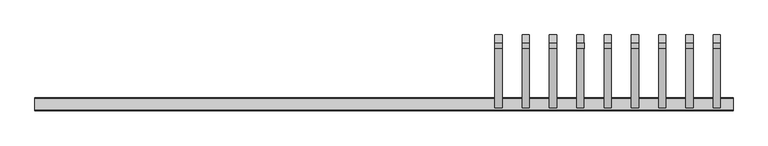
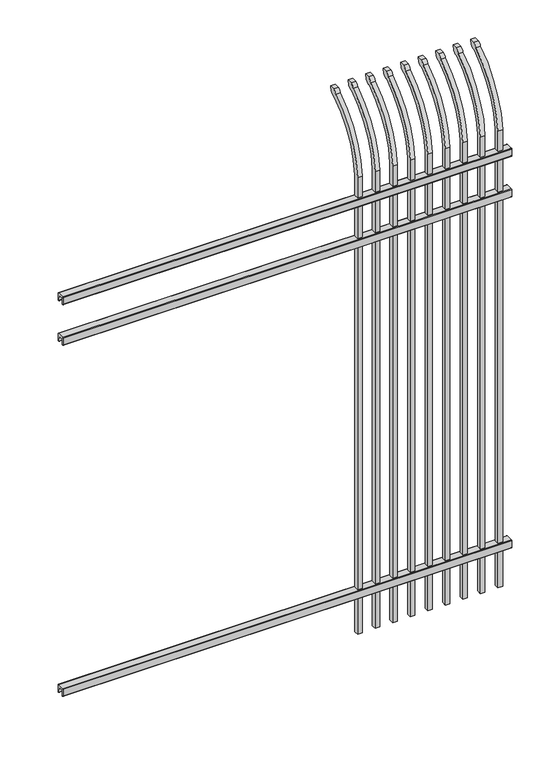
"""IFC4 building model written with IfcOpenShell, lengths in millimetres: railing geometry."""

from ifc_helpers import new_model, si_unit, point, frame, frame_2d, origin, place, context, project, spatial, polyline, circle_curve, ellipse_curve, trimmed, segment, composite_curve, outline, extrude, source, transform, mapped, element, save
from ifc_brep_helpers import plane_surface, cylinder_surface, revolved_surface, extruded_surface, advanced_brep


def railing_2fd6084e(model_context):
    return source(origin(), model_context, "Body", "SolidModel", [
        extrude(outline(composite_curve([segment(polyline([(8825.9139761, 304.8), (8863.969541, 304.8)]), True, "CONTINUOUS"), segment(trimmed(circle_curve(frame_2d((8863.969541, 301.625)), 3.175), [point((8863.969541, 304.8))], [point((8867.144541, 301.625))], False, "CARTESIAN"), True, "CONTINUOUS"), segment(polyline([(8867.144541, 301.625), (8867.144541, 262.1439893)]), True, "CONTINUOUS"), segment(trimmed(circle_curve(frame_2d((8865.3505518, 262.1439893)), 1.7939893), [point((8867.144541, 262.1439893))], [point((8865.3505518, 260.35))], False, "CARTESIAN"), True, "CONTINUOUS"), segment(polyline([(8865.3505518, 260.35), (8862.7590713, 260.35)]), True, "CONTINUOUS"), segment(trimmed(circle_curve(frame_2d((8862.7590713, 262.1359375)), 1.7859375), [point((8862.7590713, 260.35))], [point((8860.9755813, 262.0424688))], False, "CARTESIAN"), True, "CONTINUOUS"), segment(polyline([(8860.9755813, 262.0424688), (8859.4025867, 292.0569942), (8830.4364954, 292.0569942), (8828.8635007, 262.0424688)]), True, "CONTINUOUS"), segment(trimmed(circle_curve(frame_2d((8827.0800108, 262.1359375)), 1.7859375), [point((8828.8635007, 262.0424688))], [point((8827.0800108, 260.35))], False, "CARTESIAN"), True, "CONTINUOUS"), segment(polyline([(8827.0800108, 260.35), (8824.4804785, 260.35)]), True, "CONTINUOUS"), segment(trimmed(circle_curve(frame_2d((8824.4804785, 262.1359375)), 1.7859375), [point((8824.4804785, 260.35))], [point((8822.694541, 262.1359375))], False, "CARTESIAN"), True, "CONTINUOUS"), segment(polyline([(8822.694541, 262.1359375), (8822.694541, 301.5805649)]), True, "CONTINUOUS"), segment(trimmed(circle_curve(frame_2d((8825.9139761, 301.5805649)), 3.2194351), [point((8822.694541, 301.5805649))], [point((8825.9139761, 304.8))], False, "CARTESIAN"), True, "CONTINUOUS")], self_intersect=False)), frame((24591.7350064, 0.0, 0.0), z_axis=(1.0, 0.0, 0.0), x_axis=(0.0, 1.0, 0.0)), (0.0, 0.0, 1.0), 2438.4),
        extrude(outline(composite_curve([segment(polyline([(8825.9139761, 2322.5125), (8863.969541, 2322.5125)]), True, "CONTINUOUS"), segment(trimmed(circle_curve(frame_2d((8863.969541, 2319.3375)), 3.175), [point((8863.969541, 2322.5125))], [point((8867.144541, 2319.3375))], False, "CARTESIAN"), True, "CONTINUOUS"), segment(polyline([(8867.144541, 2319.3375), (8867.144541, 2279.8564893)]), True, "CONTINUOUS"), segment(trimmed(circle_curve(frame_2d((8865.3505518, 2279.8564893)), 1.7939893), [point((8867.144541, 2279.8564893))], [point((8865.3505518, 2278.0625))], False, "CARTESIAN"), True, "CONTINUOUS"), segment(polyline([(8865.3505518, 2278.0625), (8862.7590713, 2278.0625)]), True, "CONTINUOUS"), segment(trimmed(circle_curve(frame_2d((8862.7590713, 2279.8484375)), 1.7859375), [point((8862.7590713, 2278.0625))], [point((8860.9755813, 2279.7549688))], False, "CARTESIAN"), True, "CONTINUOUS"), segment(polyline([(8860.9755813, 2279.7549688), (8859.4025867, 2309.7694942), (8830.4364954, 2309.7694942), (8828.8635007, 2279.7549688)]), True, "CONTINUOUS"), segment(trimmed(circle_curve(frame_2d((8827.0800108, 2279.8484375)), 1.7859375), [point((8828.8635007, 2279.7549688))], [point((8827.0800108, 2278.0625))], False, "CARTESIAN"), True, "CONTINUOUS"), segment(polyline([(8827.0800108, 2278.0625), (8824.4804785, 2278.0625)]), True, "CONTINUOUS"), segment(trimmed(circle_curve(frame_2d((8824.4804785, 2279.8484375)), 1.7859375), [point((8824.4804785, 2278.0625))], [point((8822.694541, 2279.8484375))], False, "CARTESIAN"), True, "CONTINUOUS"), segment(polyline([(8822.694541, 2279.8484375), (8822.694541, 2319.2930649)]), True, "CONTINUOUS"), segment(trimmed(circle_curve(frame_2d((8825.9139761, 2319.2930649)), 3.2194351), [point((8822.694541, 2319.2930649))], [point((8825.9139761, 2322.5125))], False, "CARTESIAN"), True, "CONTINUOUS")], self_intersect=False)), frame((24591.7350064, 0.0, 0.0), z_axis=(1.0, 0.0, 0.0), x_axis=(0.0, 1.0, 0.0)), (0.0, 0.0, 1.0), 2438.4),
        extrude(outline(composite_curve([segment(polyline([(8825.9139761, 2555.875), (8863.969541, 2555.875)]), True, "CONTINUOUS"), segment(trimmed(circle_curve(frame_2d((8863.969541, 2552.7)), 3.175), [point((8863.969541, 2555.875))], [point((8867.144541, 2552.7))], False, "CARTESIAN"), True, "CONTINUOUS"), segment(polyline([(8867.144541, 2552.7), (8867.144541, 2513.2189893)]), True, "CONTINUOUS"), segment(trimmed(circle_curve(frame_2d((8865.3505518, 2513.2189893)), 1.7939893), [point((8867.144541, 2513.2189893))], [point((8865.3505518, 2511.425))], False, "CARTESIAN"), True, "CONTINUOUS"), segment(polyline([(8865.3505518, 2511.425), (8862.7590713, 2511.425)]), True, "CONTINUOUS"), segment(trimmed(circle_curve(frame_2d((8862.7590713, 2513.2109375)), 1.7859375), [point((8862.7590713, 2511.425))], [point((8860.9755813, 2513.1174688))], False, "CARTESIAN"), True, "CONTINUOUS"), segment(polyline([(8860.9755813, 2513.1174688), (8859.4025867, 2543.1319942), (8830.4364954, 2543.1319942), (8828.8635007, 2513.1174688)]), True, "CONTINUOUS"), segment(trimmed(circle_curve(frame_2d((8827.0800108, 2513.2109375)), 1.7859375), [point((8828.8635007, 2513.1174688))], [point((8827.0800108, 2511.425))], False, "CARTESIAN"), True, "CONTINUOUS"), segment(polyline([(8827.0800108, 2511.425), (8824.4804785, 2511.425)]), True, "CONTINUOUS"), segment(trimmed(circle_curve(frame_2d((8824.4804785, 2513.2109375)), 1.7859375), [point((8824.4804785, 2511.425))], [point((8822.694541, 2513.2109375))], False, "CARTESIAN"), True, "CONTINUOUS"), segment(polyline([(8822.694541, 2513.2109375), (8822.694541, 2552.6555649)]), True, "CONTINUOUS"), segment(trimmed(circle_curve(frame_2d((8825.9139761, 2552.6555649)), 3.2194351), [point((8822.694541, 2552.6555649))], [point((8825.9139761, 2555.875))], False, "CARTESIAN"), True, "CONTINUOUS")], self_intersect=False)), frame((24591.7350064, 0.0, 0.0), z_axis=(1.0, 0.0, 0.0), x_axis=(0.0, 1.0, 0.0)), (0.0, 0.0, 1.0), 2438.4),
        advanced_brep(
        [(26985.6850064, 8857.619541, 50.8), (26985.6850064, 8857.619541, 2673.5226889), (26985.6850064, 9054.7326851, 3005.7022378), (26985.6850064, 9081.2407099, 3020.3867549), (26985.6850064, 9087.1100864, 3048.0), (26985.6850064, 9058.8799449, 3048.0), (26985.6850064, 9039.4931591, 3027.0682561), (26985.6850064, 8832.219541, 2673.5226889), (26985.6850064, 8832.219541, 50.8), (26960.2850064, 8857.619541, 50.8), (26960.2850064, 8857.619541, 2673.5226889), (26960.2850064, 8832.219541, 2673.5226889), (26960.2850064, 8832.219541, 50.8), (26960.2850064, 9039.4931591, 3027.0682561), (26960.2850064, 9058.8799449, 3048.0), (26960.2850064, 9087.1100864, 3048.0), (26960.2850064, 9081.2407099, 3020.3867549), (26960.2850064, 9054.7326851, 3005.7022378)],
        [
            (0, 1),
            (1, 2, circle_curve(frame((26985.6850064, 9294.9874207, 2638.5640776), z_axis=(-1.0, 0.0, 0.0), x_axis=(0.0, 1.0, 0.0)), 438.7627681)),
            (2, 3, ellipse_curve(frame((26985.6850064, 9062.5579376, 3028.1180619), z_axis=(1.0, 0.0, 0.0), x_axis=(0.0, -0.7771459614569761, -0.6293203910498311)), 26.7460194, 19.05)),
            (3, 4),
            (4, 5),
            (5, 6, ellipse_curve(frame((26985.6850064, 9062.5579376, 3028.1180619), z_axis=(0.9999999999999999, 0.0, 0.0), x_axis=(0.0, -0.7771459614569769, -0.62932039104983)), 26.7460194, 19.05)),
            (6, 7, circle_curve(frame((26985.6850064, 9294.0333244, 2640.3065933), z_axis=(1.0, 0.0, 0.0), x_axis=(0.0, 1.0, 0.0)), 463.0067812)),
            (7, 8),
            (8, 0),
            (0, 9),
            (9, 10),
            (10, 1),
            (7, 11),
            (11, 12),
            (12, 8),
            (12, 9),
            (11, 13, circle_curve(frame((26960.2850064, 9294.0333244, 2640.3065933), z_axis=(-1.0, 0.0, 0.0), x_axis=(0.0, 1.0, 0.0)), 463.0067812)),
            (13, 14, ellipse_curve(frame((26960.2850064, 9062.5579376, 3028.1180619), z_axis=(-0.9999999999999999, 0.0, 0.0), x_axis=(0.0, -0.7771459614569769, -0.62932039104983)), 26.7460194, 19.05)),
            (14, 15),
            (15, 16),
            (16, 17, ellipse_curve(frame((26960.2850064, 9062.5579376, 3028.1180619), z_axis=(-1.0, 0.0, 0.0), x_axis=(0.0, -0.7771459614569761, -0.6293203910498311)), 26.7460194, 19.05)),
            (17, 10, circle_curve(frame((26960.2850064, 9294.9874207, 2638.5640776), z_axis=(1.0, 0.0, 0.0), x_axis=(0.0, 1.0, 0.0)), 438.7627681)),
            (17, 2),
            (16, 3),
            (15, 4),
            (14, 5),
            (13, 6),
        ],
        [
            plane_surface(frame((26985.6850064, 8857.619541, 50.8), z_axis=(1.0, 0.0, 0.0), x_axis=(0.0, 0.0, 1.0))),
            plane_surface(frame((26985.6850064, 8857.619541, 50.8), z_axis=(0.0, 1.0, 0.0), x_axis=(-1.0, 0.0, 0.0))),
            plane_surface(frame((26985.6850064, 8832.219541, 2673.5226889), z_axis=(0.0, -1.0, 0.0), x_axis=(-1.0, 0.0, 0.0))),
            plane_surface(frame((26985.6850064, 8832.219541, 50.8), z_axis=(0.0, 0.0, -1.0), x_axis=(-1.0, 0.0, 0.0))),
            plane_surface(frame((26960.2850064, 8857.619541, 50.8), z_axis=(-1.0, 0.0, 0.0), x_axis=(0.0, 0.0, -1.0))),
            revolved_surface(polyline([(26960.2850064, 9733.750188799999, 2638.5640776), (26985.6850064, 9733.750188799999, 2638.5640776)]), (26960.2850064, 9294.9874207, 2638.5640776), (-1.0, 0.0, 0.0)),
            extruded_surface(trimmed(ellipse_curve(frame((26934.8850064, 9062.5579376, 3028.1180619), z_axis=(1.0, 0.0, 0.0), x_axis=(0.0, -0.7771459614569761, -0.6293203910498311)), 26.7460194, 19.05), [point((26934.8850064, 9054.7326851, 3005.7022378))], [point((26934.8850064, 9081.2407099, 3020.3867549))], True, "CARTESIAN"), (25.400000000001455, 0.0, 0.0), 25.400000000001455),
            plane_surface(frame((26985.6850064, 9081.2407099, 3020.3867549), z_axis=(0.0, 0.9781476007338016, -0.2079116908177787), x_axis=(-1.0, 0.0, 0.0))),
            plane_surface(frame((26985.6850064, 9087.1100864, 3048.0), z_axis=(0.0, 0.0, 1.0), x_axis=(-1.0, 0.0, 0.0))),
            extruded_surface(trimmed(ellipse_curve(frame((26934.8850064, 9062.5579376, 3028.1180619), z_axis=(0.9999999999999999, 0.0, 0.0), x_axis=(0.0, -0.7771459614569769, -0.62932039104983)), 26.7460194, 19.05), [point((26934.8850064, 9058.8799449, 3048.0))], [point((26934.8850064, 9039.4931591, 3027.0682561))], True, "CARTESIAN"), (25.400000000001455, 0.0, 0.0), 25.400000000001455),
            cylinder_surface(frame((26960.2850064, 9294.0333244, 2640.3065933), z_axis=(1.0, 0.0, 0.0), x_axis=(0.0, 1.0, 0.0)), 463.0067812),
        ],
        [
            (0, [[1, 2, 3, 4, 5, 6, 7, 8, 9]]),
            (1, [[-1, 10, 11, 12]]),
            (2, [[-8, 13, 14, 15]]),
            (3, [[-9, -15, 16, -10]]),
            (4, [[-16, -14, 17, 18, 19, 20, 21, 22, -11]]),
            (5, [[-2, -12, -22, 23]]),
            (6, [[-3, -23, -21, 24]]),
            (7, [[-4, -24, -20, 25]]),
            (8, [[-5, -25, -19, 26]]),
            (9, [[-6, -26, -18, 27]]),
            (10, [[-7, -27, -17, -13]]),
        ],
    ),
        advanced_brep(
        [(26890.4350064, 8857.619541, 50.8), (26890.4350064, 8857.619541, 2673.5226889), (26890.4350064, 9054.7326851, 3005.7022378), (26890.4350064, 9081.2407099, 3020.3867549), (26890.4350064, 9087.1100864, 3048.0), (26890.4350064, 9058.8799449, 3048.0), (26890.4350064, 9039.4931591, 3027.0682561), (26890.4350064, 8832.219541, 2673.5226889), (26890.4350064, 8832.219541, 50.8), (26865.0350064, 8857.619541, 50.8), (26865.0350064, 8857.619541, 2673.5226889), (26865.0350064, 8832.219541, 2673.5226889), (26865.0350064, 8832.219541, 50.8), (26865.0350064, 9039.4931591, 3027.0682561), (26865.0350064, 9058.8799449, 3048.0), (26865.0350064, 9087.1100864, 3048.0), (26865.0350064, 9081.2407099, 3020.3867549), (26865.0350064, 9054.7326851, 3005.7022378)],
        [
            (0, 1),
            (1, 2, circle_curve(frame((26890.4350064, 9294.9874207, 2638.5640776), z_axis=(-1.0, 0.0, 0.0), x_axis=(0.0, 1.0, 0.0)), 438.7627681)),
            (2, 3, ellipse_curve(frame((26890.4350064, 9062.5579376, 3028.1180619), z_axis=(1.0, 0.0, 0.0), x_axis=(0.0, -0.7771459614569761, -0.6293203910498311)), 26.7460194, 19.05)),
            (3, 4),
            (4, 5),
            (5, 6, ellipse_curve(frame((26890.4350064, 9062.5579376, 3028.1180619), z_axis=(0.9999999999999999, 0.0, 0.0), x_axis=(0.0, -0.7771459614569769, -0.62932039104983)), 26.7460194, 19.05)),
            (6, 7, circle_curve(frame((26890.4350064, 9294.0333244, 2640.3065933), z_axis=(1.0, 0.0, 0.0), x_axis=(0.0, 1.0, 0.0)), 463.0067812)),
            (7, 8),
            (8, 0),
            (0, 9),
            (9, 10),
            (10, 1),
            (7, 11),
            (11, 12),
            (12, 8),
            (12, 9),
            (11, 13, circle_curve(frame((26865.0350064, 9294.0333244, 2640.3065933), z_axis=(-1.0, 0.0, 0.0), x_axis=(0.0, 1.0, 0.0)), 463.0067812)),
            (13, 14, ellipse_curve(frame((26865.0350064, 9062.5579376, 3028.1180619), z_axis=(-0.9999999999999999, 0.0, 0.0), x_axis=(0.0, -0.7771459614569769, -0.62932039104983)), 26.7460194, 19.05)),
            (14, 15),
            (15, 16),
            (16, 17, ellipse_curve(frame((26865.0350064, 9062.5579376, 3028.1180619), z_axis=(-1.0, 0.0, 0.0), x_axis=(0.0, -0.7771459614569761, -0.6293203910498311)), 26.7460194, 19.05)),
            (17, 10, circle_curve(frame((26865.0350064, 9294.9874207, 2638.5640776), z_axis=(1.0, 0.0, 0.0), x_axis=(0.0, 1.0, 0.0)), 438.7627681)),
            (17, 2),
            (16, 3),
            (15, 4),
            (14, 5),
            (13, 6),
        ],
        [
            plane_surface(frame((26890.4350064, 8857.619541, 50.8), z_axis=(1.0, 0.0, 0.0), x_axis=(0.0, 0.0, 1.0))),
            plane_surface(frame((26890.4350064, 8857.619541, 50.8), z_axis=(0.0, 1.0, 0.0), x_axis=(-1.0, 0.0, 0.0))),
            plane_surface(frame((26890.4350064, 8832.219541, 2673.5226889), z_axis=(0.0, -1.0, 0.0), x_axis=(-1.0, 0.0, 0.0))),
            plane_surface(frame((26890.4350064, 8832.219541, 50.8), z_axis=(0.0, 0.0, -1.0), x_axis=(-1.0, 0.0, 0.0))),
            plane_surface(frame((26865.0350064, 8857.619541, 50.8), z_axis=(-1.0, 0.0, 0.0), x_axis=(0.0, 0.0, -1.0))),
            revolved_surface(polyline([(26865.0350064, 9733.750188799999, 2638.5640776), (26890.4350064, 9733.750188799999, 2638.5640776)]), (26865.0350064, 9294.9874207, 2638.5640776), (-1.0, 0.0, 0.0)),
            extruded_surface(trimmed(ellipse_curve(frame((26839.6350064, 9062.5579376, 3028.1180619), z_axis=(1.0, 0.0, 0.0), x_axis=(0.0, -0.7771459614569761, -0.6293203910498311)), 26.7460194, 19.05), [point((26839.6350064, 9054.7326851, 3005.7022378))], [point((26839.6350064, 9081.2407099, 3020.3867549))], True, "CARTESIAN"), (25.400000000001455, 0.0, 0.0), 25.400000000001455),
            plane_surface(frame((26890.4350064, 9081.2407099, 3020.3867549), z_axis=(0.0, 0.9781476007338016, -0.2079116908177787), x_axis=(-1.0, 0.0, 0.0))),
            plane_surface(frame((26890.4350064, 9087.1100864, 3048.0), z_axis=(0.0, 0.0, 1.0), x_axis=(-1.0, 0.0, 0.0))),
            extruded_surface(trimmed(ellipse_curve(frame((26839.6350064, 9062.5579376, 3028.1180619), z_axis=(0.9999999999999999, 0.0, 0.0), x_axis=(0.0, -0.7771459614569769, -0.62932039104983)), 26.7460194, 19.05), [point((26839.6350064, 9058.8799449, 3048.0))], [point((26839.6350064, 9039.4931591, 3027.0682561))], True, "CARTESIAN"), (25.400000000001455, 0.0, 0.0), 25.400000000001455),
            cylinder_surface(frame((26865.0350064, 9294.0333244, 2640.3065933), z_axis=(1.0, 0.0, 0.0), x_axis=(0.0, 1.0, 0.0)), 463.0067812),
        ],
        [
            (0, [[1, 2, 3, 4, 5, 6, 7, 8, 9]]),
            (1, [[-1, 10, 11, 12]]),
            (2, [[-8, 13, 14, 15]]),
            (3, [[-9, -15, 16, -10]]),
            (4, [[-16, -14, 17, 18, 19, 20, 21, 22, -11]]),
            (5, [[-2, -12, -22, 23]]),
            (6, [[-3, -23, -21, 24]]),
            (7, [[-4, -24, -20, 25]]),
            (8, [[-5, -25, -19, 26]]),
            (9, [[-6, -26, -18, 27]]),
            (10, [[-7, -27, -17, -13]]),
        ],
    ),
        advanced_brep(
        [(26795.1850064, 8857.619541, 50.8), (26795.1850064, 8857.619541, 2673.5226889), (26795.1850064, 9054.7326851, 3005.7022378), (26795.1850064, 9081.2407099, 3020.3867549), (26795.1850064, 9087.1100864, 3048.0), (26795.1850064, 9058.8799449, 3048.0), (26795.1850064, 9039.4931591, 3027.0682561), (26795.1850064, 8832.219541, 2673.5226889), (26795.1850064, 8832.219541, 50.8), (26769.7850064, 8857.619541, 50.8), (26769.7850064, 8857.619541, 2673.5226889), (26769.7850064, 8832.219541, 2673.5226889), (26769.7850064, 8832.219541, 50.8), (26769.7850064, 9039.4931591, 3027.0682561), (26769.7850064, 9058.8799449, 3048.0), (26769.7850064, 9087.1100864, 3048.0), (26769.7850064, 9081.2407099, 3020.3867549), (26769.7850064, 9054.7326851, 3005.7022378)],
        [
            (0, 1),
            (1, 2, circle_curve(frame((26795.1850064, 9294.9874207, 2638.5640776), z_axis=(-1.0, 0.0, 0.0), x_axis=(0.0, 1.0, 0.0)), 438.7627681)),
            (2, 3, ellipse_curve(frame((26795.1850064, 9062.5579376, 3028.1180619), z_axis=(1.0, 0.0, 0.0), x_axis=(0.0, -0.7771459614569761, -0.6293203910498311)), 26.7460194, 19.05)),
            (3, 4),
            (4, 5),
            (5, 6, ellipse_curve(frame((26795.1850064, 9062.5579376, 3028.1180619), z_axis=(0.9999999999999999, 0.0, 0.0), x_axis=(0.0, -0.7771459614569769, -0.62932039104983)), 26.7460194, 19.05)),
            (6, 7, circle_curve(frame((26795.1850064, 9294.0333244, 2640.3065933), z_axis=(1.0, 0.0, 0.0), x_axis=(0.0, 1.0, 0.0)), 463.0067812)),
            (7, 8),
            (8, 0),
            (0, 9),
            (9, 10),
            (10, 1),
            (7, 11),
            (11, 12),
            (12, 8),
            (12, 9),
            (11, 13, circle_curve(frame((26769.7850064, 9294.0333244, 2640.3065933), z_axis=(-1.0, 0.0, 0.0), x_axis=(0.0, 1.0, 0.0)), 463.0067812)),
            (13, 14, ellipse_curve(frame((26769.7850064, 9062.5579376, 3028.1180619), z_axis=(-0.9999999999999999, 0.0, 0.0), x_axis=(0.0, -0.7771459614569769, -0.62932039104983)), 26.7460194, 19.05)),
            (14, 15),
            (15, 16),
            (16, 17, ellipse_curve(frame((26769.7850064, 9062.5579376, 3028.1180619), z_axis=(-1.0, 0.0, 0.0), x_axis=(0.0, -0.7771459614569761, -0.6293203910498311)), 26.7460194, 19.05)),
            (17, 10, circle_curve(frame((26769.7850064, 9294.9874207, 2638.5640776), z_axis=(1.0, 0.0, 0.0), x_axis=(0.0, 1.0, 0.0)), 438.7627681)),
            (17, 2),
            (16, 3),
            (15, 4),
            (14, 5),
            (13, 6),
        ],
        [
            plane_surface(frame((26795.1850064, 8857.619541, 50.8), z_axis=(1.0, 0.0, 0.0), x_axis=(0.0, 0.0, 1.0))),
            plane_surface(frame((26795.1850064, 8857.619541, 50.8), z_axis=(0.0, 1.0, 0.0), x_axis=(-1.0, 0.0, 0.0))),
            plane_surface(frame((26795.1850064, 8832.219541, 2673.5226889), z_axis=(0.0, -1.0, 0.0), x_axis=(-1.0, 0.0, 0.0))),
            plane_surface(frame((26795.1850064, 8832.219541, 50.8), z_axis=(0.0, 0.0, -1.0), x_axis=(-1.0, 0.0, 0.0))),
            plane_surface(frame((26769.7850064, 8857.619541, 50.8), z_axis=(-1.0, 0.0, 0.0), x_axis=(0.0, 0.0, -1.0))),
            revolved_surface(polyline([(26769.7850064, 9733.750188799999, 2638.5640776), (26795.1850064, 9733.750188799999, 2638.5640776)]), (26769.7850064, 9294.9874207, 2638.5640776), (-1.0, 0.0, 0.0)),
            extruded_surface(trimmed(ellipse_curve(frame((26744.3850064, 9062.5579376, 3028.1180619), z_axis=(1.0, 0.0, 0.0), x_axis=(0.0, -0.7771459614569761, -0.6293203910498311)), 26.7460194, 19.05), [point((26744.3850064, 9054.7326851, 3005.7022378))], [point((26744.3850064, 9081.2407099, 3020.3867549))], True, "CARTESIAN"), (25.400000000001455, 0.0, 0.0), 25.400000000001455),
            plane_surface(frame((26795.1850064, 9081.2407099, 3020.3867549), z_axis=(0.0, 0.9781476007338016, -0.2079116908177787), x_axis=(-1.0, 0.0, 0.0))),
            plane_surface(frame((26795.1850064, 9087.1100864, 3048.0), z_axis=(0.0, 0.0, 1.0), x_axis=(-1.0, 0.0, 0.0))),
            extruded_surface(trimmed(ellipse_curve(frame((26744.3850064, 9062.5579376, 3028.1180619), z_axis=(0.9999999999999999, 0.0, 0.0), x_axis=(0.0, -0.7771459614569769, -0.62932039104983)), 26.7460194, 19.05), [point((26744.3850064, 9058.8799449, 3048.0))], [point((26744.3850064, 9039.4931591, 3027.0682561))], True, "CARTESIAN"), (25.400000000001455, 0.0, 0.0), 25.400000000001455),
            cylinder_surface(frame((26769.7850064, 9294.0333244, 2640.3065933), z_axis=(1.0, 0.0, 0.0), x_axis=(0.0, 1.0, 0.0)), 463.0067812),
        ],
        [
            (0, [[1, 2, 3, 4, 5, 6, 7, 8, 9]]),
            (1, [[-1, 10, 11, 12]]),
            (2, [[-8, 13, 14, 15]]),
            (3, [[-9, -15, 16, -10]]),
            (4, [[-16, -14, 17, 18, 19, 20, 21, 22, -11]]),
            (5, [[-2, -12, -22, 23]]),
            (6, [[-3, -23, -21, 24]]),
            (7, [[-4, -24, -20, 25]]),
            (8, [[-5, -25, -19, 26]]),
            (9, [[-6, -26, -18, 27]]),
            (10, [[-7, -27, -17, -13]]),
        ],
    ),
        advanced_brep(
        [(26699.9350064, 8857.619541, 50.8), (26699.9350064, 8857.619541, 2673.5226889), (26699.9350064, 9054.7326851, 3005.7022378), (26699.9350064, 9081.2407099, 3020.3867549), (26699.9350064, 9087.1100864, 3048.0), (26699.9350064, 9058.8799449, 3048.0), (26699.9350064, 9039.4931591, 3027.0682561), (26699.9350064, 8832.219541, 2673.5226889), (26699.9350064, 8832.219541, 50.8), (26674.5350064, 8857.619541, 50.8), (26674.5350064, 8857.619541, 2673.5226889), (26674.5350064, 8832.219541, 2673.5226889), (26674.5350064, 8832.219541, 50.8), (26674.5350064, 9039.4931591, 3027.0682561), (26674.5350064, 9058.8799449, 3048.0), (26674.5350064, 9087.1100864, 3048.0), (26674.5350064, 9081.2407099, 3020.3867549), (26674.5350064, 9054.7326851, 3005.7022378)],
        [
            (0, 1),
            (1, 2, circle_curve(frame((26699.9350064, 9294.9874207, 2638.5640776), z_axis=(-1.0, 0.0, 0.0), x_axis=(0.0, 1.0, 0.0)), 438.7627681)),
            (2, 3, ellipse_curve(frame((26699.9350064, 9062.5579376, 3028.1180619), z_axis=(1.0, 0.0, 0.0), x_axis=(0.0, -0.7771459614569761, -0.6293203910498311)), 26.7460194, 19.05)),
            (3, 4),
            (4, 5),
            (5, 6, ellipse_curve(frame((26699.9350064, 9062.5579376, 3028.1180619), z_axis=(0.9999999999999999, 0.0, 0.0), x_axis=(0.0, -0.7771459614569769, -0.62932039104983)), 26.7460194, 19.05)),
            (6, 7, circle_curve(frame((26699.9350064, 9294.0333244, 2640.3065933), z_axis=(1.0, 0.0, 0.0), x_axis=(0.0, 1.0, 0.0)), 463.0067812)),
            (7, 8),
            (8, 0),
            (0, 9),
            (9, 10),
            (10, 1),
            (7, 11),
            (11, 12),
            (12, 8),
            (12, 9),
            (11, 13, circle_curve(frame((26674.5350064, 9294.0333244, 2640.3065933), z_axis=(-1.0, 0.0, 0.0), x_axis=(0.0, 1.0, 0.0)), 463.0067812)),
            (13, 14, ellipse_curve(frame((26674.5350064, 9062.5579376, 3028.1180619), z_axis=(-0.9999999999999999, 0.0, 0.0), x_axis=(0.0, -0.7771459614569769, -0.62932039104983)), 26.7460194, 19.05)),
            (14, 15),
            (15, 16),
            (16, 17, ellipse_curve(frame((26674.5350064, 9062.5579376, 3028.1180619), z_axis=(-1.0, 0.0, 0.0), x_axis=(0.0, -0.7771459614569761, -0.6293203910498311)), 26.7460194, 19.05)),
            (17, 10, circle_curve(frame((26674.5350064, 9294.9874207, 2638.5640776), z_axis=(1.0, 0.0, 0.0), x_axis=(0.0, 1.0, 0.0)), 438.7627681)),
            (17, 2),
            (16, 3),
            (15, 4),
            (14, 5),
            (13, 6),
        ],
        [
            plane_surface(frame((26699.9350064, 8857.619541, 50.8), z_axis=(1.0, 0.0, 0.0), x_axis=(0.0, 0.0, 1.0))),
            plane_surface(frame((26699.9350064, 8857.619541, 50.8), z_axis=(0.0, 1.0, 0.0), x_axis=(-1.0, 0.0, 0.0))),
            plane_surface(frame((26699.9350064, 8832.219541, 2673.5226889), z_axis=(0.0, -1.0, 0.0), x_axis=(-1.0, 0.0, 0.0))),
            plane_surface(frame((26699.9350064, 8832.219541, 50.8), z_axis=(0.0, 0.0, -1.0), x_axis=(-1.0, 0.0, 0.0))),
            plane_surface(frame((26674.5350064, 8857.619541, 50.8), z_axis=(-1.0, 0.0, 0.0), x_axis=(0.0, 0.0, -1.0))),
            revolved_surface(polyline([(26674.5350064, 9733.750188799999, 2638.5640776), (26699.9350064, 9733.750188799999, 2638.5640776)]), (26674.5350064, 9294.9874207, 2638.5640776), (-1.0, 0.0, 0.0)),
            extruded_surface(trimmed(ellipse_curve(frame((26649.1350064, 9062.5579376, 3028.1180619), z_axis=(1.0, 0.0, 0.0), x_axis=(0.0, -0.7771459614569761, -0.6293203910498311)), 26.7460194, 19.05), [point((26649.1350064, 9054.7326851, 3005.7022378))], [point((26649.1350064, 9081.2407099, 3020.3867549))], True, "CARTESIAN"), (25.400000000001455, 0.0, 0.0), 25.400000000001455),
            plane_surface(frame((26699.9350064, 9081.2407099, 3020.3867549), z_axis=(0.0, 0.9781476007338016, -0.2079116908177787), x_axis=(-1.0, 0.0, 0.0))),
            plane_surface(frame((26699.9350064, 9087.1100864, 3048.0), z_axis=(0.0, 0.0, 1.0), x_axis=(-1.0, 0.0, 0.0))),
            extruded_surface(trimmed(ellipse_curve(frame((26649.1350064, 9062.5579376, 3028.1180619), z_axis=(0.9999999999999999, 0.0, 0.0), x_axis=(0.0, -0.7771459614569769, -0.62932039104983)), 26.7460194, 19.05), [point((26649.1350064, 9058.8799449, 3048.0))], [point((26649.1350064, 9039.4931591, 3027.0682561))], True, "CARTESIAN"), (25.400000000001455, 0.0, 0.0), 25.400000000001455),
            cylinder_surface(frame((26674.5350064, 9294.0333244, 2640.3065933), z_axis=(1.0, 0.0, 0.0), x_axis=(0.0, 1.0, 0.0)), 463.0067812),
        ],
        [
            (0, [[1, 2, 3, 4, 5, 6, 7, 8, 9]]),
            (1, [[-1, 10, 11, 12]]),
            (2, [[-8, 13, 14, 15]]),
            (3, [[-9, -15, 16, -10]]),
            (4, [[-16, -14, 17, 18, 19, 20, 21, 22, -11]]),
            (5, [[-2, -12, -22, 23]]),
            (6, [[-3, -23, -21, 24]]),
            (7, [[-4, -24, -20, 25]]),
            (8, [[-5, -25, -19, 26]]),
            (9, [[-6, -26, -18, 27]]),
            (10, [[-7, -27, -17, -13]]),
        ],
    ),
        advanced_brep(
        [(26604.6850064, 8857.619541, 50.8), (26604.6850064, 8857.619541, 2673.5226889), (26604.6850064, 9054.7326851, 3005.7022378), (26604.6850064, 9081.2407099, 3020.3867549), (26604.6850064, 9087.1100864, 3048.0), (26604.6850064, 9058.8799449, 3048.0), (26604.6850064, 9039.4931591, 3027.0682561), (26604.6850064, 8832.219541, 2673.5226889), (26604.6850064, 8832.219541, 50.8), (26579.2850064, 8857.619541, 50.8), (26579.2850064, 8857.619541, 2673.5226889), (26579.2850064, 8832.219541, 2673.5226889), (26579.2850064, 8832.219541, 50.8), (26579.2850064, 9039.4931591, 3027.0682561), (26579.2850064, 9058.8799449, 3048.0), (26579.2850064, 9087.1100864, 3048.0), (26579.2850064, 9081.2407099, 3020.3867549), (26579.2850064, 9054.7326851, 3005.7022378)],
        [
            (0, 1),
            (1, 2, circle_curve(frame((26604.6850064, 9294.9874207, 2638.5640776), z_axis=(-1.0, 0.0, 0.0), x_axis=(0.0, 1.0, 0.0)), 438.7627681)),
            (2, 3, ellipse_curve(frame((26604.6850064, 9062.5579376, 3028.1180619), z_axis=(1.0, 0.0, 0.0), x_axis=(0.0, -0.7771459614569761, -0.6293203910498311)), 26.7460194, 19.05)),
            (3, 4),
            (4, 5),
            (5, 6, ellipse_curve(frame((26604.6850064, 9062.5579376, 3028.1180619), z_axis=(0.9999999999999999, 0.0, 0.0), x_axis=(0.0, -0.7771459614569769, -0.62932039104983)), 26.7460194, 19.05)),
            (6, 7, circle_curve(frame((26604.6850064, 9294.0333244, 2640.3065933), z_axis=(1.0, 0.0, 0.0), x_axis=(0.0, 1.0, 0.0)), 463.0067812)),
            (7, 8),
            (8, 0),
            (0, 9),
            (9, 10),
            (10, 1),
            (7, 11),
            (11, 12),
            (12, 8),
            (12, 9),
            (11, 13, circle_curve(frame((26579.2850064, 9294.0333244, 2640.3065933), z_axis=(-1.0, 0.0, 0.0), x_axis=(0.0, 1.0, 0.0)), 463.0067812)),
            (13, 14, ellipse_curve(frame((26579.2850064, 9062.5579376, 3028.1180619), z_axis=(-0.9999999999999999, 0.0, 0.0), x_axis=(0.0, -0.7771459614569769, -0.62932039104983)), 26.7460194, 19.05)),
            (14, 15),
            (15, 16),
            (16, 17, ellipse_curve(frame((26579.2850064, 9062.5579376, 3028.1180619), z_axis=(-1.0, 0.0, 0.0), x_axis=(0.0, -0.7771459614569761, -0.6293203910498311)), 26.7460194, 19.05)),
            (17, 10, circle_curve(frame((26579.2850064, 9294.9874207, 2638.5640776), z_axis=(1.0, 0.0, 0.0), x_axis=(0.0, 1.0, 0.0)), 438.7627681)),
            (17, 2),
            (16, 3),
            (15, 4),
            (14, 5),
            (13, 6),
        ],
        [
            plane_surface(frame((26604.6850064, 8857.619541, 50.8), z_axis=(1.0, 0.0, 0.0), x_axis=(0.0, 0.0, 1.0))),
            plane_surface(frame((26604.6850064, 8857.619541, 50.8), z_axis=(0.0, 1.0, 0.0), x_axis=(-1.0, 0.0, 0.0))),
            plane_surface(frame((26604.6850064, 8832.219541, 2673.5226889), z_axis=(0.0, -1.0, 0.0), x_axis=(-1.0, 0.0, 0.0))),
            plane_surface(frame((26604.6850064, 8832.219541, 50.8), z_axis=(0.0, 0.0, -1.0), x_axis=(-1.0, 0.0, 0.0))),
            plane_surface(frame((26579.2850064, 8857.619541, 50.8), z_axis=(-1.0, 0.0, 0.0), x_axis=(0.0, 0.0, -1.0))),
            revolved_surface(polyline([(26579.2850064, 9733.750188799999, 2638.5640776), (26604.6850064, 9733.750188799999, 2638.5640776)]), (26579.2850064, 9294.9874207, 2638.5640776), (-1.0, 0.0, 0.0)),
            extruded_surface(trimmed(ellipse_curve(frame((26553.8850064, 9062.5579376, 3028.1180619), z_axis=(1.0, 0.0, 0.0), x_axis=(0.0, -0.7771459614569761, -0.6293203910498311)), 26.7460194, 19.05), [point((26553.8850064, 9054.7326851, 3005.7022378))], [point((26553.8850064, 9081.2407099, 3020.3867549))], True, "CARTESIAN"), (25.400000000001455, 0.0, 0.0), 25.400000000001455),
            plane_surface(frame((26604.6850064, 9081.2407099, 3020.3867549), z_axis=(0.0, 0.9781476007338016, -0.2079116908177787), x_axis=(-1.0, 0.0, 0.0))),
            plane_surface(frame((26604.6850064, 9087.1100864, 3048.0), z_axis=(0.0, 0.0, 1.0), x_axis=(-1.0, 0.0, 0.0))),
            extruded_surface(trimmed(ellipse_curve(frame((26553.8850064, 9062.5579376, 3028.1180619), z_axis=(0.9999999999999999, 0.0, 0.0), x_axis=(0.0, -0.7771459614569769, -0.62932039104983)), 26.7460194, 19.05), [point((26553.8850064, 9058.8799449, 3048.0))], [point((26553.8850064, 9039.4931591, 3027.0682561))], True, "CARTESIAN"), (25.400000000001455, 0.0, 0.0), 25.400000000001455),
            cylinder_surface(frame((26579.2850064, 9294.0333244, 2640.3065933), z_axis=(1.0, 0.0, 0.0), x_axis=(0.0, 1.0, 0.0)), 463.0067812),
        ],
        [
            (0, [[1, 2, 3, 4, 5, 6, 7, 8, 9]]),
            (1, [[-1, 10, 11, 12]]),
            (2, [[-8, 13, 14, 15]]),
            (3, [[-9, -15, 16, -10]]),
            (4, [[-16, -14, 17, 18, 19, 20, 21, 22, -11]]),
            (5, [[-2, -12, -22, 23]]),
            (6, [[-3, -23, -21, 24]]),
            (7, [[-4, -24, -20, 25]]),
            (8, [[-5, -25, -19, 26]]),
            (9, [[-6, -26, -18, 27]]),
            (10, [[-7, -27, -17, -13]]),
        ],
    ),
        advanced_brep(
        [(26509.4350064, 8857.619541, 50.8), (26509.4350064, 8857.619541, 2673.5226889), (26509.4350064, 9054.7326851, 3005.7022378), (26509.4350064, 9081.2407099, 3020.3867549), (26509.4350064, 9087.1100864, 3048.0), (26509.4350064, 9058.8799449, 3048.0), (26509.4350064, 9039.4931591, 3027.0682561), (26509.4350064, 8832.219541, 2673.5226889), (26509.4350064, 8832.219541, 50.8), (26484.0350064, 8857.619541, 50.8), (26484.0350064, 8857.619541, 2673.5226889), (26484.0350064, 8832.219541, 2673.5226889), (26484.0350064, 8832.219541, 50.8), (26484.0350064, 9039.4931591, 3027.0682561), (26484.0350064, 9058.8799449, 3048.0), (26484.0350064, 9087.1100864, 3048.0), (26484.0350064, 9081.2407099, 3020.3867549), (26484.0350064, 9054.7326851, 3005.7022378)],
        [
            (0, 1),
            (1, 2, circle_curve(frame((26509.4350064, 9294.9874207, 2638.5640776), z_axis=(-1.0, 0.0, 0.0), x_axis=(0.0, 1.0, 0.0)), 438.7627681)),
            (2, 3, ellipse_curve(frame((26509.4350064, 9062.5579376, 3028.1180619), z_axis=(1.0, 0.0, 0.0), x_axis=(0.0, -0.7771459614569761, -0.6293203910498311)), 26.7460194, 19.05)),
            (3, 4),
            (4, 5),
            (5, 6, ellipse_curve(frame((26509.4350064, 9062.5579376, 3028.1180619), z_axis=(0.9999999999999999, 0.0, 0.0), x_axis=(0.0, -0.7771459614569769, -0.62932039104983)), 26.7460194, 19.05)),
            (6, 7, circle_curve(frame((26509.4350064, 9294.0333244, 2640.3065933), z_axis=(1.0, 0.0, 0.0), x_axis=(0.0, 1.0, 0.0)), 463.0067812)),
            (7, 8),
            (8, 0),
            (0, 9),
            (9, 10),
            (10, 1),
            (7, 11),
            (11, 12),
            (12, 8),
            (12, 9),
            (11, 13, circle_curve(frame((26484.0350064, 9294.0333244, 2640.3065933), z_axis=(-1.0, 0.0, 0.0), x_axis=(0.0, 1.0, 0.0)), 463.0067812)),
            (13, 14, ellipse_curve(frame((26484.0350064, 9062.5579376, 3028.1180619), z_axis=(-0.9999999999999999, 0.0, 0.0), x_axis=(0.0, -0.7771459614569769, -0.62932039104983)), 26.7460194, 19.05)),
            (14, 15),
            (15, 16),
            (16, 17, ellipse_curve(frame((26484.0350064, 9062.5579376, 3028.1180619), z_axis=(-1.0, 0.0, 0.0), x_axis=(0.0, -0.7771459614569761, -0.6293203910498311)), 26.7460194, 19.05)),
            (17, 10, circle_curve(frame((26484.0350064, 9294.9874207, 2638.5640776), z_axis=(1.0, 0.0, 0.0), x_axis=(0.0, 1.0, 0.0)), 438.7627681)),
            (17, 2),
            (16, 3),
            (15, 4),
            (14, 5),
            (13, 6),
        ],
        [
            plane_surface(frame((26509.4350064, 8857.619541, 50.8), z_axis=(1.0, 0.0, 0.0), x_axis=(0.0, 0.0, 1.0))),
            plane_surface(frame((26509.4350064, 8857.619541, 50.8), z_axis=(0.0, 1.0, 0.0), x_axis=(-1.0, 0.0, 0.0))),
            plane_surface(frame((26509.4350064, 8832.219541, 2673.5226889), z_axis=(0.0, -1.0, 0.0), x_axis=(-1.0, 0.0, 0.0))),
            plane_surface(frame((26509.4350064, 8832.219541, 50.8), z_axis=(0.0, 0.0, -1.0), x_axis=(-1.0, 0.0, 0.0))),
            plane_surface(frame((26484.0350064, 8857.619541, 50.8), z_axis=(-1.0, 0.0, 0.0), x_axis=(0.0, 0.0, -1.0))),
            revolved_surface(polyline([(26484.0350064, 9733.750188799999, 2638.5640776), (26509.4350064, 9733.750188799999, 2638.5640776)]), (26484.0350064, 9294.9874207, 2638.5640776), (-1.0, 0.0, 0.0)),
            extruded_surface(trimmed(ellipse_curve(frame((26458.6350064, 9062.5579376, 3028.1180619), z_axis=(1.0, 0.0, 0.0), x_axis=(0.0, -0.7771459614569761, -0.6293203910498311)), 26.7460194, 19.05), [point((26458.6350064, 9054.7326851, 3005.7022378))], [point((26458.6350064, 9081.2407099, 3020.3867549))], True, "CARTESIAN"), (25.400000000001455, 0.0, 0.0), 25.400000000001455),
            plane_surface(frame((26509.4350064, 9081.2407099, 3020.3867549), z_axis=(0.0, 0.9781476007338016, -0.2079116908177787), x_axis=(-1.0, 0.0, 0.0))),
            plane_surface(frame((26509.4350064, 9087.1100864, 3048.0), z_axis=(0.0, 0.0, 1.0), x_axis=(-1.0, 0.0, 0.0))),
            extruded_surface(trimmed(ellipse_curve(frame((26458.6350064, 9062.5579376, 3028.1180619), z_axis=(0.9999999999999999, 0.0, 0.0), x_axis=(0.0, -0.7771459614569769, -0.62932039104983)), 26.7460194, 19.05), [point((26458.6350064, 9058.8799449, 3048.0))], [point((26458.6350064, 9039.4931591, 3027.0682561))], True, "CARTESIAN"), (25.400000000001455, 0.0, 0.0), 25.400000000001455),
            cylinder_surface(frame((26484.0350064, 9294.0333244, 2640.3065933), z_axis=(1.0, 0.0, 0.0), x_axis=(0.0, 1.0, 0.0)), 463.0067812),
        ],
        [
            (0, [[1, 2, 3, 4, 5, 6, 7, 8, 9]]),
            (1, [[-1, 10, 11, 12]]),
            (2, [[-8, 13, 14, 15]]),
            (3, [[-9, -15, 16, -10]]),
            (4, [[-16, -14, 17, 18, 19, 20, 21, 22, -11]]),
            (5, [[-2, -12, -22, 23]]),
            (6, [[-3, -23, -21, 24]]),
            (7, [[-4, -24, -20, 25]]),
            (8, [[-5, -25, -19, 26]]),
            (9, [[-6, -26, -18, 27]]),
            (10, [[-7, -27, -17, -13]]),
        ],
    ),
        advanced_brep(
        [(26414.1850064, 8857.619541, 50.8), (26414.1850064, 8857.619541, 2673.5226889), (26414.1850064, 9054.7326851, 3005.7022378), (26414.1850064, 9081.2407099, 3020.3867549), (26414.1850064, 9087.1100864, 3048.0), (26414.1850064, 9058.8799449, 3048.0), (26414.1850064, 9039.4931591, 3027.0682561), (26414.1850064, 8832.219541, 2673.5226889), (26414.1850064, 8832.219541, 50.8), (26388.7850064, 8857.619541, 50.8), (26388.7850064, 8857.619541, 2673.5226889), (26388.7850064, 8832.219541, 2673.5226889), (26388.7850064, 8832.219541, 50.8), (26388.7850064, 9039.4931591, 3027.0682561), (26388.7850064, 9058.8799449, 3048.0), (26388.7850064, 9087.1100864, 3048.0), (26388.7850064, 9081.2407099, 3020.3867549), (26388.7850064, 9054.7326851, 3005.7022378)],
        [
            (0, 1),
            (1, 2, circle_curve(frame((26414.1850064, 9294.9874207, 2638.5640776), z_axis=(-1.0, 0.0, 0.0), x_axis=(0.0, 1.0, 0.0)), 438.7627681)),
            (2, 3, ellipse_curve(frame((26414.1850064, 9062.5579376, 3028.1180619), z_axis=(1.0, 0.0, 0.0), x_axis=(0.0, -0.7771459614569761, -0.6293203910498311)), 26.7460194, 19.05)),
            (3, 4),
            (4, 5),
            (5, 6, ellipse_curve(frame((26414.1850064, 9062.5579376, 3028.1180619), z_axis=(0.9999999999999999, 0.0, 0.0), x_axis=(0.0, -0.7771459614569769, -0.62932039104983)), 26.7460194, 19.05)),
            (6, 7, circle_curve(frame((26414.1850064, 9294.0333244, 2640.3065933), z_axis=(1.0, 0.0, 0.0), x_axis=(0.0, 1.0, 0.0)), 463.0067812)),
            (7, 8),
            (8, 0),
            (0, 9),
            (9, 10),
            (10, 1),
            (7, 11),
            (11, 12),
            (12, 8),
            (12, 9),
            (11, 13, circle_curve(frame((26388.7850064, 9294.0333244, 2640.3065933), z_axis=(-1.0, 0.0, 0.0), x_axis=(0.0, 1.0, 0.0)), 463.0067812)),
            (13, 14, ellipse_curve(frame((26388.7850064, 9062.5579376, 3028.1180619), z_axis=(-0.9999999999999999, 0.0, 0.0), x_axis=(0.0, -0.7771459614569769, -0.62932039104983)), 26.7460194, 19.05)),
            (14, 15),
            (15, 16),
            (16, 17, ellipse_curve(frame((26388.7850064, 9062.5579376, 3028.1180619), z_axis=(-1.0, 0.0, 0.0), x_axis=(0.0, -0.7771459614569761, -0.6293203910498311)), 26.7460194, 19.05)),
            (17, 10, circle_curve(frame((26388.7850064, 9294.9874207, 2638.5640776), z_axis=(1.0, 0.0, 0.0), x_axis=(0.0, 1.0, 0.0)), 438.7627681)),
            (17, 2),
            (16, 3),
            (15, 4),
            (14, 5),
            (13, 6),
        ],
        [
            plane_surface(frame((26414.1850064, 8857.619541, 50.8), z_axis=(1.0, 0.0, 0.0), x_axis=(0.0, 0.0, 1.0))),
            plane_surface(frame((26414.1850064, 8857.619541, 50.8), z_axis=(0.0, 1.0, 0.0), x_axis=(-1.0, 0.0, 0.0))),
            plane_surface(frame((26414.1850064, 8832.219541, 2673.5226889), z_axis=(0.0, -1.0, 0.0), x_axis=(-1.0, 0.0, 0.0))),
            plane_surface(frame((26414.1850064, 8832.219541, 50.8), z_axis=(0.0, 0.0, -1.0), x_axis=(-1.0, 0.0, 0.0))),
            plane_surface(frame((26388.7850064, 8857.619541, 50.8), z_axis=(-1.0, 0.0, 0.0), x_axis=(0.0, 0.0, -1.0))),
            revolved_surface(polyline([(26388.7850064, 9733.750188799999, 2638.5640776), (26414.1850064, 9733.750188799999, 2638.5640776)]), (26388.7850064, 9294.9874207, 2638.5640776), (-1.0, 0.0, 0.0)),
            extruded_surface(trimmed(ellipse_curve(frame((26363.3850064, 9062.5579376, 3028.1180619), z_axis=(1.0, 0.0, 0.0), x_axis=(0.0, -0.7771459614569761, -0.6293203910498311)), 26.7460194, 19.05), [point((26363.3850064, 9054.7326851, 3005.7022378))], [point((26363.3850064, 9081.2407099, 3020.3867549))], True, "CARTESIAN"), (25.400000000001455, 0.0, 0.0), 25.400000000001455),
            plane_surface(frame((26414.1850064, 9081.2407099, 3020.3867549), z_axis=(0.0, 0.9781476007338016, -0.2079116908177787), x_axis=(-1.0, 0.0, 0.0))),
            plane_surface(frame((26414.1850064, 9087.1100864, 3048.0), z_axis=(0.0, 0.0, 1.0), x_axis=(-1.0, 0.0, 0.0))),
            extruded_surface(trimmed(ellipse_curve(frame((26363.3850064, 9062.5579376, 3028.1180619), z_axis=(0.9999999999999999, 0.0, 0.0), x_axis=(0.0, -0.7771459614569769, -0.62932039104983)), 26.7460194, 19.05), [point((26363.3850064, 9058.8799449, 3048.0))], [point((26363.3850064, 9039.4931591, 3027.0682561))], True, "CARTESIAN"), (25.400000000001455, 0.0, 0.0), 25.400000000001455),
            cylinder_surface(frame((26388.7850064, 9294.0333244, 2640.3065933), z_axis=(1.0, 0.0, 0.0), x_axis=(0.0, 1.0, 0.0)), 463.0067812),
        ],
        [
            (0, [[1, 2, 3, 4, 5, 6, 7, 8, 9]]),
            (1, [[-1, 10, 11, 12]]),
            (2, [[-8, 13, 14, 15]]),
            (3, [[-9, -15, 16, -10]]),
            (4, [[-16, -14, 17, 18, 19, 20, 21, 22, -11]]),
            (5, [[-2, -12, -22, 23]]),
            (6, [[-3, -23, -21, 24]]),
            (7, [[-4, -24, -20, 25]]),
            (8, [[-5, -25, -19, 26]]),
            (9, [[-6, -26, -18, 27]]),
            (10, [[-7, -27, -17, -13]]),
        ],
    ),
        advanced_brep(
        [(26318.9350064, 8857.619541, 50.8), (26318.9350064, 8857.619541, 2673.5226889), (26318.9350064, 9054.7326851, 3005.7022378), (26318.9350064, 9081.2407099, 3020.3867549), (26318.9350064, 9087.1100864, 3048.0), (26318.9350064, 9058.8799449, 3048.0), (26318.9350064, 9039.4931591, 3027.0682561), (26318.9350064, 8832.219541, 2673.5226889), (26318.9350064, 8832.219541, 50.8), (26293.5350064, 8857.619541, 50.8), (26293.5350064, 8857.619541, 2673.5226889), (26293.5350064, 8832.219541, 2673.5226889), (26293.5350064, 8832.219541, 50.8), (26293.5350064, 9039.4931591, 3027.0682561), (26293.5350064, 9058.8799449, 3048.0), (26293.5350064, 9087.1100864, 3048.0), (26293.5350064, 9081.2407099, 3020.3867549), (26293.5350064, 9054.7326851, 3005.7022378)],
        [
            (0, 1),
            (1, 2, circle_curve(frame((26318.9350064, 9294.9874207, 2638.5640776), z_axis=(-1.0, 0.0, 0.0), x_axis=(0.0, 1.0, 0.0)), 438.7627681)),
            (2, 3, ellipse_curve(frame((26318.9350064, 9062.5579376, 3028.1180619), z_axis=(1.0, 0.0, 0.0), x_axis=(0.0, -0.7771459614569761, -0.6293203910498311)), 26.7460194, 19.05)),
            (3, 4),
            (4, 5),
            (5, 6, ellipse_curve(frame((26318.9350064, 9062.5579376, 3028.1180619), z_axis=(0.9999999999999999, 0.0, 0.0), x_axis=(0.0, -0.7771459614569769, -0.62932039104983)), 26.7460194, 19.05)),
            (6, 7, circle_curve(frame((26318.9350064, 9294.0333244, 2640.3065933), z_axis=(1.0, 0.0, 0.0), x_axis=(0.0, 1.0, 0.0)), 463.0067812)),
            (7, 8),
            (8, 0),
            (0, 9),
            (9, 10),
            (10, 1),
            (7, 11),
            (11, 12),
            (12, 8),
            (12, 9),
            (11, 13, circle_curve(frame((26293.5350064, 9294.0333244, 2640.3065933), z_axis=(-1.0, 0.0, 0.0), x_axis=(0.0, 1.0, 0.0)), 463.0067812)),
            (13, 14, ellipse_curve(frame((26293.5350064, 9062.5579376, 3028.1180619), z_axis=(-0.9999999999999999, 0.0, 0.0), x_axis=(0.0, -0.7771459614569769, -0.62932039104983)), 26.7460194, 19.05)),
            (14, 15),
            (15, 16),
            (16, 17, ellipse_curve(frame((26293.5350064, 9062.5579376, 3028.1180619), z_axis=(-1.0, 0.0, 0.0), x_axis=(0.0, -0.7771459614569761, -0.6293203910498311)), 26.7460194, 19.05)),
            (17, 10, circle_curve(frame((26293.5350064, 9294.9874207, 2638.5640776), z_axis=(1.0, 0.0, 0.0), x_axis=(0.0, 1.0, 0.0)), 438.7627681)),
            (17, 2),
            (16, 3),
            (15, 4),
            (14, 5),
            (13, 6),
        ],
        [
            plane_surface(frame((26318.9350064, 8857.619541, 50.8), z_axis=(1.0, 0.0, 0.0), x_axis=(0.0, 0.0, 1.0))),
            plane_surface(frame((26318.9350064, 8857.619541, 50.8), z_axis=(0.0, 1.0, 0.0), x_axis=(-1.0, 0.0, 0.0))),
            plane_surface(frame((26318.9350064, 8832.219541, 2673.5226889), z_axis=(0.0, -1.0, 0.0), x_axis=(-1.0, 0.0, 0.0))),
            plane_surface(frame((26318.9350064, 8832.219541, 50.8), z_axis=(0.0, 0.0, -1.0), x_axis=(-1.0, 0.0, 0.0))),
            plane_surface(frame((26293.5350064, 8857.619541, 50.8), z_axis=(-1.0, 0.0, 0.0), x_axis=(0.0, 0.0, -1.0))),
            revolved_surface(polyline([(26293.5350064, 9733.750188799999, 2638.5640776), (26318.9350064, 9733.750188799999, 2638.5640776)]), (26293.5350064, 9294.9874207, 2638.5640776), (-1.0, 0.0, 0.0)),
            extruded_surface(trimmed(ellipse_curve(frame((26268.1350064, 9062.5579376, 3028.1180619), z_axis=(1.0, 0.0, 0.0), x_axis=(0.0, -0.7771459614569761, -0.6293203910498311)), 26.7460194, 19.05), [point((26268.1350064, 9054.7326851, 3005.7022378))], [point((26268.1350064, 9081.2407099, 3020.3867549))], True, "CARTESIAN"), (25.400000000001455, 0.0, 0.0), 25.400000000001455),
            plane_surface(frame((26318.9350064, 9081.2407099, 3020.3867549), z_axis=(0.0, 0.9781476007338016, -0.2079116908177787), x_axis=(-1.0, 0.0, 0.0))),
            plane_surface(frame((26318.9350064, 9087.1100864, 3048.0), z_axis=(0.0, 0.0, 1.0), x_axis=(-1.0, 0.0, 0.0))),
            extruded_surface(trimmed(ellipse_curve(frame((26268.1350064, 9062.5579376, 3028.1180619), z_axis=(0.9999999999999999, 0.0, 0.0), x_axis=(0.0, -0.7771459614569769, -0.62932039104983)), 26.7460194, 19.05), [point((26268.1350064, 9058.8799449, 3048.0))], [point((26268.1350064, 9039.4931591, 3027.0682561))], True, "CARTESIAN"), (25.400000000001455, 0.0, 0.0), 25.400000000001455),
            cylinder_surface(frame((26293.5350064, 9294.0333244, 2640.3065933), z_axis=(1.0, 0.0, 0.0), x_axis=(0.0, 1.0, 0.0)), 463.0067812),
        ],
        [
            (0, [[1, 2, 3, 4, 5, 6, 7, 8, 9]]),
            (1, [[-1, 10, 11, 12]]),
            (2, [[-8, 13, 14, 15]]),
            (3, [[-9, -15, 16, -10]]),
            (4, [[-16, -14, 17, 18, 19, 20, 21, 22, -11]]),
            (5, [[-2, -12, -22, 23]]),
            (6, [[-3, -23, -21, 24]]),
            (7, [[-4, -24, -20, 25]]),
            (8, [[-5, -25, -19, 26]]),
            (9, [[-6, -26, -18, 27]]),
            (10, [[-7, -27, -17, -13]]),
        ],
    ),
        advanced_brep(
        [(26223.6850064, 8857.619541, 50.8), (26223.6850064, 8857.619541, 2673.5226889), (26223.6850064, 9054.7326851, 3005.7022378), (26223.6850064, 9081.2407099, 3020.3867549), (26223.6850064, 9087.1100864, 3048.0), (26223.6850064, 9058.8799449, 3048.0), (26223.6850064, 9039.4931591, 3027.0682561), (26223.6850064, 8832.219541, 2673.5226889), (26223.6850064, 8832.219541, 50.8), (26198.2850064, 8857.619541, 50.8), (26198.2850064, 8857.619541, 2673.5226889), (26198.2850064, 8832.219541, 2673.5226889), (26198.2850064, 8832.219541, 50.8), (26198.2850064, 9039.4931591, 3027.0682561), (26198.2850064, 9058.8799449, 3048.0), (26198.2850064, 9087.1100864, 3048.0), (26198.2850064, 9081.2407099, 3020.3867549), (26198.2850064, 9054.7326851, 3005.7022378)],
        [
            (0, 1),
            (1, 2, circle_curve(frame((26223.6850064, 9294.9874207, 2638.5640776), z_axis=(-1.0, 0.0, 0.0), x_axis=(0.0, 1.0, 0.0)), 438.7627681)),
            (2, 3, ellipse_curve(frame((26223.6850064, 9062.5579376, 3028.1180619), z_axis=(1.0, 0.0, 0.0), x_axis=(0.0, -0.7771459614569761, -0.6293203910498311)), 26.7460194, 19.05)),
            (3, 4),
            (4, 5),
            (5, 6, ellipse_curve(frame((26223.6850064, 9062.5579376, 3028.1180619), z_axis=(0.9999999999999999, 0.0, 0.0), x_axis=(0.0, -0.7771459614569769, -0.62932039104983)), 26.7460194, 19.05)),
            (6, 7, circle_curve(frame((26223.6850064, 9294.0333244, 2640.3065933), z_axis=(1.0, 0.0, 0.0), x_axis=(0.0, 1.0, 0.0)), 463.0067812)),
            (7, 8),
            (8, 0),
            (0, 9),
            (9, 10),
            (10, 1),
            (7, 11),
            (11, 12),
            (12, 8),
            (12, 9),
            (11, 13, circle_curve(frame((26198.2850064, 9294.0333244, 2640.3065933), z_axis=(-1.0, 0.0, 0.0), x_axis=(0.0, 1.0, 0.0)), 463.0067812)),
            (13, 14, ellipse_curve(frame((26198.2850064, 9062.5579376, 3028.1180619), z_axis=(-0.9999999999999999, 0.0, 0.0), x_axis=(0.0, -0.7771459614569769, -0.62932039104983)), 26.7460194, 19.05)),
            (14, 15),
            (15, 16),
            (16, 17, ellipse_curve(frame((26198.2850064, 9062.5579376, 3028.1180619), z_axis=(-1.0, 0.0, 0.0), x_axis=(0.0, -0.7771459614569761, -0.6293203910498311)), 26.7460194, 19.05)),
            (17, 10, circle_curve(frame((26198.2850064, 9294.9874207, 2638.5640776), z_axis=(1.0, 0.0, 0.0), x_axis=(0.0, 1.0, 0.0)), 438.7627681)),
            (17, 2),
            (16, 3),
            (15, 4),
            (14, 5),
            (13, 6),
        ],
        [
            plane_surface(frame((26223.6850064, 8857.619541, 50.8), z_axis=(1.0, 0.0, 0.0), x_axis=(0.0, 0.0, 1.0))),
            plane_surface(frame((26223.6850064, 8857.619541, 50.8), z_axis=(0.0, 1.0, 0.0), x_axis=(-1.0, 0.0, 0.0))),
            plane_surface(frame((26223.6850064, 8832.219541, 2673.5226889), z_axis=(0.0, -1.0, 0.0), x_axis=(-1.0, 0.0, 0.0))),
            plane_surface(frame((26223.6850064, 8832.219541, 50.8), z_axis=(0.0, 0.0, -1.0), x_axis=(-1.0, 0.0, 0.0))),
            plane_surface(frame((26198.2850064, 8857.619541, 50.8), z_axis=(-1.0, 0.0, 0.0), x_axis=(0.0, 0.0, -1.0))),
            revolved_surface(polyline([(26198.2850064, 9733.750188799999, 2638.5640776), (26223.6850064, 9733.750188799999, 2638.5640776)]), (26198.2850064, 9294.9874207, 2638.5640776), (-1.0, 0.0, 0.0)),
            extruded_surface(trimmed(ellipse_curve(frame((26172.8850064, 9062.5579376, 3028.1180619), z_axis=(1.0, 0.0, 0.0), x_axis=(0.0, -0.7771459614569761, -0.6293203910498311)), 26.7460194, 19.05), [point((26172.8850064, 9054.7326851, 3005.7022378))], [point((26172.8850064, 9081.2407099, 3020.3867549))], True, "CARTESIAN"), (25.400000000001455, 0.0, 0.0), 25.400000000001455),
            plane_surface(frame((26223.6850064, 9081.2407099, 3020.3867549), z_axis=(0.0, 0.9781476007338016, -0.2079116908177787), x_axis=(-1.0, 0.0, 0.0))),
            plane_surface(frame((26223.6850064, 9087.1100864, 3048.0), z_axis=(0.0, 0.0, 1.0), x_axis=(-1.0, 0.0, 0.0))),
            extruded_surface(trimmed(ellipse_curve(frame((26172.8850064, 9062.5579376, 3028.1180619), z_axis=(0.9999999999999999, 0.0, 0.0), x_axis=(0.0, -0.7771459614569769, -0.62932039104983)), 26.7460194, 19.05), [point((26172.8850064, 9058.8799449, 3048.0))], [point((26172.8850064, 9039.4931591, 3027.0682561))], True, "CARTESIAN"), (25.400000000001455, 0.0, 0.0), 25.400000000001455),
            cylinder_surface(frame((26198.2850064, 9294.0333244, 2640.3065933), z_axis=(1.0, 0.0, 0.0), x_axis=(0.0, 1.0, 0.0)), 463.0067812),
        ],
        [
            (0, [[1, 2, 3, 4, 5, 6, 7, 8, 9]]),
            (1, [[-1, 10, 11, 12]]),
            (2, [[-8, 13, 14, 15]]),
            (3, [[-9, -15, 16, -10]]),
            (4, [[-16, -14, 17, 18, 19, 20, 21, 22, -11]]),
            (5, [[-2, -12, -22, 23]]),
            (6, [[-3, -23, -21, 24]]),
            (7, [[-4, -24, -20, 25]]),
            (8, [[-5, -25, -19, 26]]),
            (9, [[-6, -26, -18, 27]]),
            (10, [[-7, -27, -17, -13]]),
        ],
    ),
    ])


if __name__ == "__main__":
    model = new_model("IFC4")
    model_context = context("Model", 3, world=origin())
    ifc_project = project(units=[si_unit("LENGTHUNIT", "METRE", prefix="MILLI")], contexts=[model_context])
    site = spatial("IfcSite", under=ifc_project)
    building = spatial("IfcBuilding", under=site)
    placement = place(None, origin())
    railing_shape = railing_2fd6084e(model_context)
    element("IfcRailing", 1, at=placement, inside=building, context=model_context, shape_type="MappedRepresentation", body=[
        mapped(railing_shape, transform((0.0, 0.0, 0.0), x_axis=(1.0, 0.0, 0.0), y_axis=(0.0, 1.0, 0.0), z_axis=(0.0, 0.0, 1.0))),
    ])
    save(model, "model.ifc")
